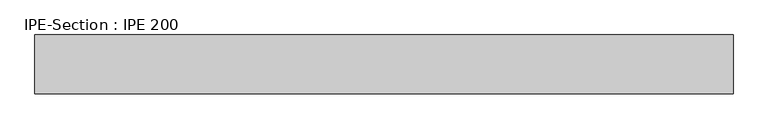
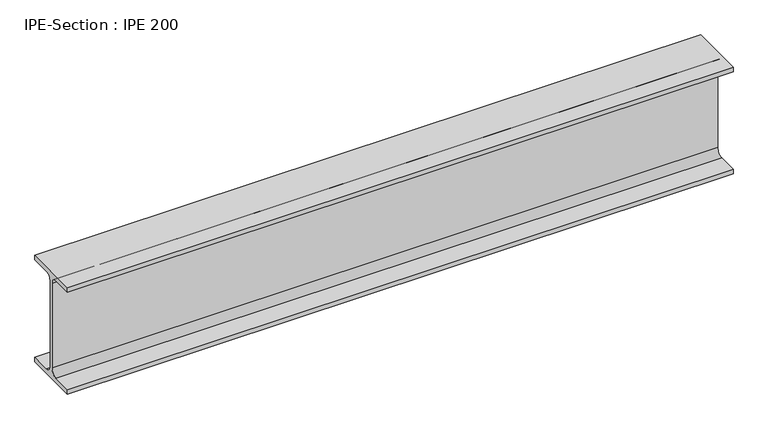
"""IFC4 building model written with IfcOpenShell, lengths in millimetres: beam geometry, IPE-Section : IPE 200."""

from ifc_helpers import new_model, si_unit, point, frame, frame_2d, origin, place, context, project, spatial, polyline, circle_curve, trimmed, segment, composite_curve, outline, extrude, source, transform, mapped, element, save


def ipe_section_ipe_200_c1f5cf29(model_context):
    return source(origin(), model_context, "Body", "SweptSolid", [
        extrude(outline(composite_curve([segment(polyline([(50.0, -91.5), (50.0, -100.0), (-50.0, -100.0), (-50.0, -91.5), (-14.8, -91.5)]), True, "CONTINUOUS"), segment(trimmed(circle_curve(frame_2d((-14.8, -79.5)), 12.0), [point((-14.8, -91.5))], [point((-2.8, -79.5))], True, "CARTESIAN"), True, "CONTINUOUS"), segment(polyline([(-2.8, -79.5), (-2.8, 79.5)]), True, "CONTINUOUS"), segment(trimmed(circle_curve(frame_2d((-14.8, 79.5)), 12.0), [point((-2.8, 79.5))], [point((-14.8, 91.5))], True, "CARTESIAN"), True, "CONTINUOUS"), segment(polyline([(-14.8, 91.5), (-50.0, 91.5), (-50.0, 100.0), (50.0, 100.0), (50.0, 91.5), (14.8, 91.5)]), True, "CONTINUOUS"), segment(trimmed(circle_curve(frame_2d((14.8, 79.5)), 12.0), [point((14.8, 91.5))], [point((2.8, 79.5))], True, "CARTESIAN"), True, "CONTINUOUS"), segment(polyline([(2.8, 79.5), (2.8, -79.5)]), True, "CONTINUOUS"), segment(trimmed(circle_curve(frame_2d((14.8, -79.5)), 12.0), [point((2.8, -79.5))], [point((14.8, -91.5))], True, "CARTESIAN"), True, "CONTINUOUS"), segment(polyline([(14.8, -91.5), (50.0, -91.5)]), True, "CONTINUOUS")], self_intersect=False)), frame((-620.7573388, 0.0, 0.0), z_axis=(1.0, 0.0, 0.0), x_axis=(0.0, 1.0, 0.0)), (0.0, 0.0, 1.0), 1183.0414613),
    ])


if __name__ == "__main__":
    model = new_model("IFC4")
    model_context = context("Model", 3, world=origin())
    ifc_project = project(units=[si_unit("LENGTHUNIT", "METRE", prefix="MILLI")], contexts=[model_context])
    site = spatial("IfcSite", under=ifc_project)
    building = spatial("IfcBuilding", under=site)
    placement = place(None, origin())
    ipe_section_ipe_200_shape = ipe_section_ipe_200_c1f5cf29(model_context)
    element("IfcBeam", 1, ObjectType="IPE-Section : IPE 200", at=placement, inside=building, context=model_context, shape_type="MappedRepresentation", body=[
        mapped(ipe_section_ipe_200_shape, transform((0.0, 0.0, 0.0), x_axis=(1.0, 0.0, 0.0), y_axis=(0.0, 1.0, 0.0), z_axis=(0.0, 0.0, 1.0))),
    ])
    save(model, "model.ifc")
